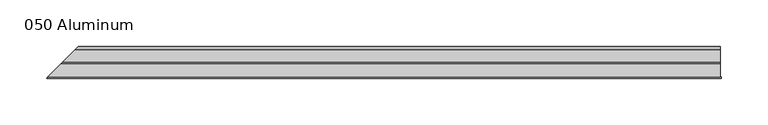
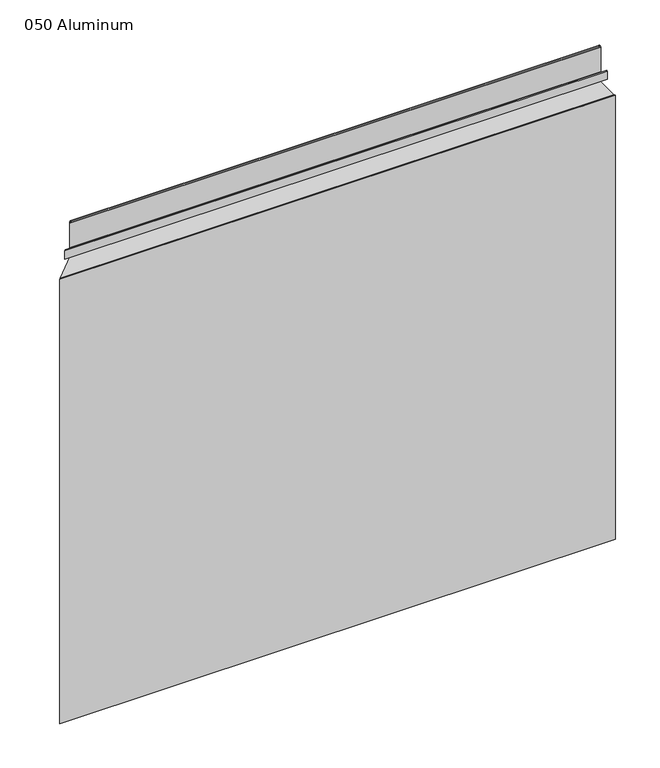
"""IFC4 building model written with IfcOpenShell, lengths in millimetres: plate geometry, 050 Aluminum."""

from ifc_helpers import new_model, si_unit, frame, origin, origin_with_axes, place, context, project, spatial, polyline, circle_curve, ellipse_curve, outline, extrude, source, transform, mapped, element, save
from ifc_brep_helpers import plane_surface, cylinder_surface, revolved_surface, advanced_brep


def plate_050_aluminum_18652eb8(model_context):
    return source(origin(), model_context, "Body", "SolidModel", [
        advanced_brep(
        [(341.63, -16.6765477, 13.1458337), (341.63, -23.0264743, 13.124237), (341.63, -23.0264743, 1.2693678), (341.63, -34.7980002, 1.2693678), (341.63, -34.7980002, 0.0), (341.63, -21.7564743, 0.0), (341.63, -21.7564743, 13.124237), (341.63, -17.9464915, 13.1323356), (341.63, -17.9464915, 2.786437), (341.63, -16.6765477, 2.786437), (-359.5765477, -16.6765477, 2.786437), (-359.5765477, -16.6765477, 13.1458337), (-360.8464915, -17.9464915, 2.786437), (-360.8464915, -17.9464915, 13.1323356), (-364.6564743, -21.7564743, 13.124237), (-364.6564743, -21.7564743, 0.0), (-377.698, -34.7980002, 0.0), (-377.698, -34.7980002, 1.2693678), (-365.9264743, -23.0264743, 1.2693678), (-365.9264743, -23.0264743, 13.124237)],
        [
            (0, 1, circle_curve(frame((341.63, -19.8514743, 13.124237), z_axis=(1.0, 0.0, 0.0), x_axis=(0.0, 0.0, -1.0)), 3.175)),
            (1, 2),
            (2, 3),
            (3, 4),
            (4, 5),
            (5, 6),
            (6, 7, circle_curve(frame((341.63, -19.8514743, 13.124237), z_axis=(-1.0, 0.0, 0.0), x_axis=(0.0, 0.0, -1.0)), 1.905)),
            (7, 8),
            (8, 9),
            (9, 0),
            (9, 10),
            (10, 11),
            (11, 0),
            (8, 12),
            (12, 10),
            (7, 13),
            (13, 12),
            (6, 14),
            (14, 13, ellipse_curve(frame((-362.7514743, -19.8514743, 13.124237), z_axis=(-0.7071067811865466, 0.7071067811865485, 0.0), x_axis=(0.7071067811865485, 0.7071067811865466, 0.0)), 2.6940768, 1.905)),
            (5, 15),
            (15, 14),
            (4, 16),
            (16, 15),
            (3, 17),
            (17, 16),
            (2, 18),
            (18, 17),
            (1, 19),
            (19, 18),
            (11, 19, ellipse_curve(frame((-362.7514743, -19.8514743, 13.124237), z_axis=(0.7071067811865466, -0.7071067811865485, 0.0), x_axis=(-0.7071067811865485, -0.7071067811865466, 0.0)), 4.4901281, 3.175)),
        ],
        [
            plane_surface(frame((341.63, -36.068, 0.0), z_axis=(1.0, 0.0, 0.0), x_axis=(0.0, 0.0, 1.0))),
            plane_surface(frame((-377.698, -16.6765477, 13.1458337), z_axis=(0.0, 1.0, 0.0), x_axis=(1.0, 0.0, 0.0))),
            plane_surface(frame((-377.698, -16.6765477, 2.786437), z_axis=(0.0, 0.0, -1.0), x_axis=(1.0, 0.0, 0.0))),
            plane_surface(frame((-377.698, -17.9464915, 2.786437), z_axis=(0.0, -1.0, 0.0), x_axis=(1.0, 0.0, 0.0))),
            revolved_surface(polyline([(341.63, -19.8514743, 11.219237000000001), (-364.6564743, -19.8514743, 11.219237000000001)]), (-377.698, -19.8514743, 13.124237), (1.0, 0.0, 0.0)),
            plane_surface(frame((-377.698, -21.7564743, 13.124237), z_axis=(0.0, 1.0, 0.0), x_axis=(1.0, 0.0, 0.0))),
            plane_surface(frame((-377.698, -21.7564743, 0.0), z_axis=(0.0, 0.0, -1.0), x_axis=(1.0, 0.0, 0.0))),
            plane_surface(frame((-377.698, -34.7980002, 0.0), z_axis=(0.0, -1.0, 0.0), x_axis=(1.0, 0.0, 0.0))),
            plane_surface(frame((-377.698, -34.7980002, 1.2693678), z_axis=(0.0, 0.0, 1.0), x_axis=(1.0, 0.0, 0.0))),
            plane_surface(frame((-377.698, -23.0264743, 1.2693678), z_axis=(0.0, -1.0, 0.0), x_axis=(1.0, 0.0, 0.0))),
            cylinder_surface(frame((-377.698, -19.8514743, 13.124237), z_axis=(-1.0, 0.0, 0.0), x_axis=(0.0, 0.0, -1.0)), 3.175),
            plane_surface(frame((-378.968, -36.068, 795.4549971), z_axis=(-0.7071067811865466, 0.7071067811865485, 0.0), x_axis=(0.0, 0.0, -1.0))),
        ],
        [
            (0, [[1, 2, 3, 4, 5, 6, 7, 8, 9, 10]]),
            (1, [[-10, 11, 12, 13]]),
            (2, [[-9, 14, 15, -11]]),
            (3, [[-8, 16, 17, -14]]),
            (4, [[-7, 18, 19, -16]]),
            (5, [[-6, 20, 21, -18]]),
            (6, [[-5, 22, 23, -20]]),
            (7, [[-4, 24, 25, -22]]),
            (8, [[-3, 26, 27, -24]]),
            (9, [[-2, 28, 29, -26]]),
            (10, [[-1, -13, 30, -28]]),
            (11, [[-12, -15, -17, -19, -21, -23, -25, -27, -29, -30]]),
        ],
    ),
        advanced_brep(
        [(341.63, -2.0574743, 656.7932001), (341.63, -5.3594742, 656.7932001), (341.63, -5.3594742, 623.57), (341.63, -19.2164743, 623.57), (341.63, -19.2164743, 633.6538), (341.63, -20.4864742, 633.6538), (341.63, -20.4864742, 622.3), (341.63, -4.0894742, 622.3), (341.63, -4.0894742, 656.7932001), (341.63, -3.3274743, 656.7932001), (341.63, -3.3274743, 609.6000001), (341.63, -34.7980002, 609.6000001), (341.63, -34.7980002, 608.33), (341.63, -2.0574743, 608.33), (-344.9574743, -2.0574743, 608.33), (-344.9574743, -2.0574743, 656.7932001), (-377.698, -34.7980002, 608.33), (-377.698, -34.7980002, 609.6000001), (-346.2274743, -3.3274743, 609.6000001), (-346.2274743, -3.3274743, 656.7932001), (-346.9894742, -4.0894742, 656.7932001), (-346.9894742, -4.0894742, 622.3), (-363.3864742, -20.4864742, 622.3), (-363.3864742, -20.4864742, 633.6538), (-362.1164743, -19.2164743, 633.6538), (-362.1164743, -19.2164743, 623.57), (-348.2594742, -5.3594742, 623.57), (-348.2594742, -5.3594742, 656.7932001)],
        [
            (0, 1, circle_curve(frame((341.63, -3.7084742, 656.7932001), z_axis=(1.0, 0.0, 0.0), x_axis=(0.0, 0.0, -1.0)), 1.6509999)),
            (1, 2),
            (2, 3),
            (3, 4),
            (4, 5),
            (5, 6),
            (6, 7),
            (7, 8),
            (8, 9, circle_curve(frame((341.63, -3.7084742, 656.7932001), z_axis=(-1.0, 0.0, 0.0), x_axis=(0.0, 0.0, -1.0)), 0.3809999)),
            (9, 10),
            (10, 11),
            (11, 12),
            (12, 13),
            (13, 0),
            (13, 14),
            (14, 15),
            (15, 0),
            (12, 16),
            (16, 14),
            (11, 17),
            (17, 16),
            (10, 18),
            (18, 17),
            (9, 19),
            (19, 18),
            (8, 20),
            (20, 19, ellipse_curve(frame((-346.6084742, -3.7084742, 656.7932001), z_axis=(-0.7071067811865466, 0.7071067811865485, 0.0), x_axis=(0.7071067811865485, 0.7071067811865466, 0.0)), 0.5388153, 0.3809999)),
            (7, 21),
            (21, 20),
            (6, 22),
            (22, 21),
            (5, 23),
            (23, 22),
            (4, 24),
            (24, 23),
            (3, 25),
            (25, 24),
            (2, 26),
            (26, 25),
            (1, 27),
            (27, 26),
            (15, 27, ellipse_curve(frame((-346.6084742, -3.7084742, 656.7932001), z_axis=(0.7071067811865466, -0.7071067811865485, 0.0), x_axis=(-0.7071067811865485, -0.7071067811865466, 0.0)), 2.3348665, 1.6509999)),
        ],
        [
            plane_surface(frame((341.63, -36.068, 609.6), z_axis=(1.0, 0.0, 0.0), x_axis=(0.0, 0.0, 1.0))),
            plane_surface(frame((-377.698, -2.0574743, 656.7932001), z_axis=(0.0, 1.0, 0.0), x_axis=(1.0, 0.0, 0.0))),
            plane_surface(frame((-377.698, -2.0574743, 608.33), z_axis=(0.0, 0.0, -1.0), x_axis=(1.0, 0.0, 0.0))),
            plane_surface(frame((-377.698, -34.7980002, 608.33), z_axis=(0.0, -1.0, 0.0), x_axis=(1.0, 0.0, 0.0))),
            plane_surface(frame((-377.698, -34.7980002, 609.6000001), z_axis=(0.0, 0.0, 1.0), x_axis=(1.0, 0.0, 0.0))),
            plane_surface(frame((-377.698, -3.3274743, 609.6000001), z_axis=(0.0, -1.0, 0.0), x_axis=(1.0, 0.0, 0.0))),
            revolved_surface(polyline([(341.63, -3.7084742, 656.4122002), (-346.9894742, -3.7084742, 656.4122002)]), (-377.698, -3.7084742, 656.7932001), (1.0, 0.0, 0.0)),
            plane_surface(frame((-377.698, -4.0894742, 656.7932001), z_axis=(0.0, 1.0, 0.0), x_axis=(1.0, 0.0, 0.0))),
            plane_surface(frame((-377.698, -4.0894742, 622.3), z_axis=(0.0, 0.0, -1.0), x_axis=(1.0, 0.0, 0.0))),
            plane_surface(frame((-377.698, -20.4864742, 622.3), z_axis=(0.0, -1.0, 0.0), x_axis=(1.0, 0.0, 0.0))),
            plane_surface(frame((-377.698, -20.4864742, 633.6538), z_axis=(0.0, 0.0, 1.0), x_axis=(1.0, 0.0, 0.0))),
            plane_surface(frame((-377.698, -19.2164743, 633.6538), z_axis=(0.0, 1.0, 0.0), x_axis=(1.0, 0.0, 0.0))),
            plane_surface(frame((-377.698, -19.2164743, 623.57), z_axis=(0.0, 0.0, 1.0), x_axis=(1.0, 0.0, 0.0))),
            plane_surface(frame((-377.698, -5.3594742, 623.57), z_axis=(0.0, -1.0, 0.0), x_axis=(1.0, 0.0, 0.0))),
            cylinder_surface(frame((-377.698, -3.7084742, 656.7932001), z_axis=(-1.0, 0.0, 0.0), x_axis=(0.0, 0.0, -1.0)), 1.6509999),
            plane_surface(frame((-378.968, -36.068, 795.4549971), z_axis=(-0.7071067811865466, 0.7071067811865485, 0.0), x_axis=(0.0, 0.0, -1.0))),
        ],
        [
            (0, [[1, 2, 3, 4, 5, 6, 7, 8, 9, 10, 11, 12, 13, 14]]),
            (1, [[-14, 15, 16, 17]]),
            (2, [[-13, 18, 19, -15]]),
            (3, [[-12, 20, 21, -18]]),
            (4, [[-11, 22, 23, -20]]),
            (5, [[-10, 24, 25, -22]]),
            (6, [[-9, 26, 27, -24]]),
            (7, [[-8, 28, 29, -26]]),
            (8, [[-7, 30, 31, -28]]),
            (9, [[-6, 32, 33, -30]]),
            (10, [[-5, 34, 35, -32]]),
            (11, [[-4, 36, 37, -34]]),
            (12, [[-3, 38, 39, -36]]),
            (13, [[-2, 40, 41, -38]]),
            (14, [[-1, -17, 42, -40]]),
            (15, [[-16, -19, -21, -23, -25, -27, -29, -31, -33, -35, -37, -39, -41, -42]]),
        ],
    ),
        extrude(outline(polyline([(342.9, -34.7980001), (342.9, -36.068), (-378.968, -36.068), (-377.6980001, -34.7980001), (342.9, -34.7980001)])), origin_with_axes(), (0.0, 0.0, 1.0), 609.6),
    ])


if __name__ == "__main__":
    model = new_model("IFC4")
    model_context = context("Model", 3, world=origin())
    ifc_project = project(units=[si_unit("LENGTHUNIT", "METRE", prefix="MILLI")], contexts=[model_context])
    site = spatial("IfcSite", under=ifc_project)
    building = spatial("IfcBuilding", under=site)
    placement = place(None, origin())
    plate_050_aluminum_shape = plate_050_aluminum_18652eb8(model_context)
    element("IfcPlate", 1, ObjectType="050 Aluminum", at=placement, inside=building, context=model_context, shape_type="MappedRepresentation", body=[
        mapped(plate_050_aluminum_shape, transform((0.0, 0.0, 0.0), x_axis=(1.0, 0.0, 0.0), y_axis=(0.0, 1.0, 0.0), z_axis=(0.0, 0.0, 1.0))),
    ])
    save(model, "model.ifc")
